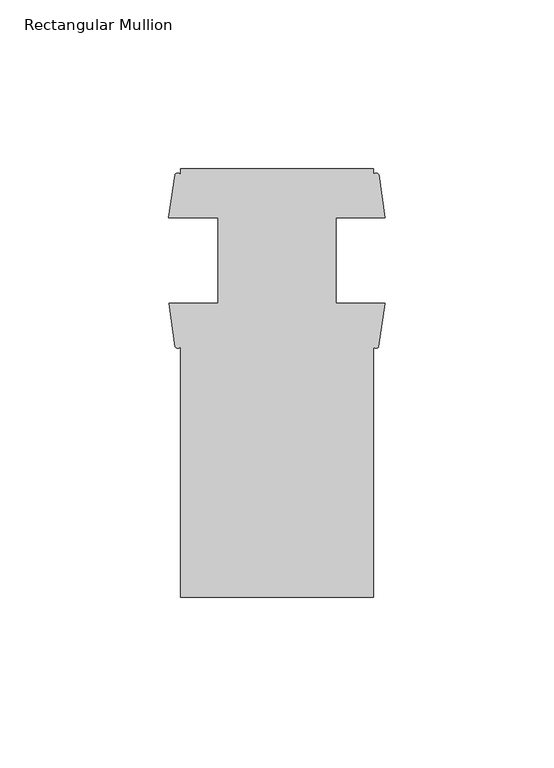
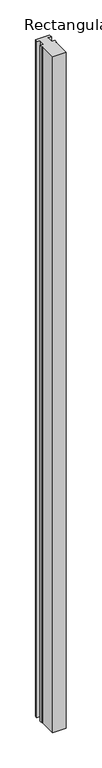
"""IFC4 building model written with IfcOpenShell, lengths in millimetres: member geometry, Rectangular Mullion."""

from ifc_helpers import new_model, si_unit, point, frame, frame_2d, origin, place, context, project, spatial, polyline, circle_curve, trimmed, segment, composite_curve, outline, extrude, source, transform, mapped, element, save


def rectangular_mullion_539e7965(model_context):
    return source(origin(), model_context, "Body", "SweptSolid", [
        extrude(outline(composite_curve([segment(polyline([(-3.5195217, 69.6227608), (-3.5195217, 67.8922886)]), True, "CONTINUOUS"), segment(trimmed(circle_curve(frame_2d((-2.6878195, 67.3852314)), 0.9740819), [point((-3.5195217, 67.8922886))], [point((-1.8561173, 67.8922886))], False, "CARTESIAN"), True, "CONTINUOUS"), segment(polyline([(-1.8561173, 67.8922886), (0.0, 55.1192358), (-14.6320217, 55.1192358), (-14.6320217, 29.7192358), (-0.1235217, 29.7192358), (-1.9336255, 16.9479483)]), True, "CONTINUOUS"), segment(trimmed(circle_curve(frame_2d((-2.7265736, 17.4176611)), 0.9216273), [point((-1.9336255, 16.9479483))], [point((-3.5195217, 16.9479483))], False, "CARTESIAN"), True, "CONTINUOUS"), segment(polyline([(-3.5195217, 16.9479483), (-3.5195217, -57.3772392), (-60.6695217, -57.3772392), (-60.6695217, 16.9479483)]), True, "CONTINUOUS"), segment(trimmed(circle_curve(frame_2d((-61.4624699, 17.4178919)), 0.921745), [point((-60.6695217, 16.9479483))], [point((-62.255418, 16.9479483))], False, "CARTESIAN"), True, "CONTINUOUS"), segment(polyline([(-62.255418, 16.9479483), (-64.0655217, 29.7192358), (-49.5570217, 29.7192358), (-49.5570217, 55.1192358), (-64.1890435, 55.1192358), (-62.3329261, 67.8922886)]), True, "CONTINUOUS"), segment(trimmed(circle_curve(frame_2d((-61.5012239, 67.2890806)), 1.0274184), [point((-62.3329261, 67.8922886))], [point((-60.6695217, 67.8922886))], False, "CARTESIAN"), True, "CONTINUOUS"), segment(polyline([(-60.6695217, 67.8922886), (-60.6695217, 69.6227608), (-3.5195217, 69.6227608)]), True, "CONTINUOUS")], self_intersect=False)), frame((0.0, 0.0, -3048.0), z_axis=(0.0, 0.0, 1.0), x_axis=(1.0, 0.0, 0.0)), (0.0, 0.0, 1.0), 3048.0),
    ])


if __name__ == "__main__":
    model = new_model("IFC4")
    model_context = context("Model", 3, world=origin())
    ifc_project = project(units=[si_unit("LENGTHUNIT", "METRE", prefix="MILLI")], contexts=[model_context])
    site = spatial("IfcSite", under=ifc_project)
    building = spatial("IfcBuilding", under=site)
    placement = place(None, origin())
    rectangular_mullion_shape = rectangular_mullion_539e7965(model_context)
    element("IfcMember", 1, ObjectType="Rectangular Mullion", at=placement, inside=building, context=model_context, shape_type="MappedRepresentation", body=[
        mapped(rectangular_mullion_shape, transform((0.0, 0.0, 0.0), x_axis=(1.0, 0.0, 0.0), y_axis=(0.0, 1.0, 0.0), z_axis=(0.0, 0.0, 1.0))),
    ])
    save(model, "model.ifc")
